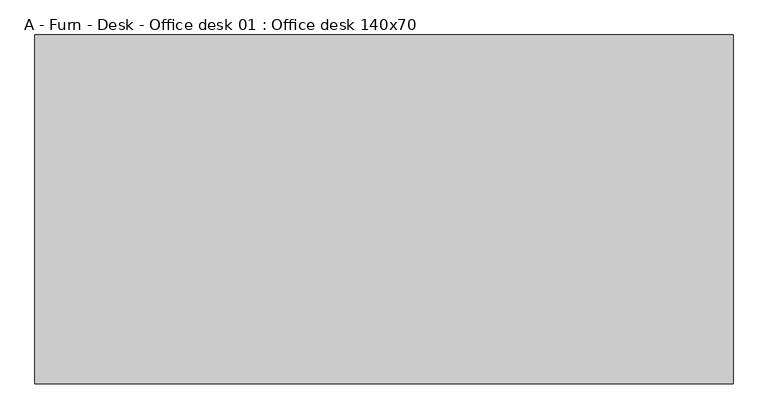
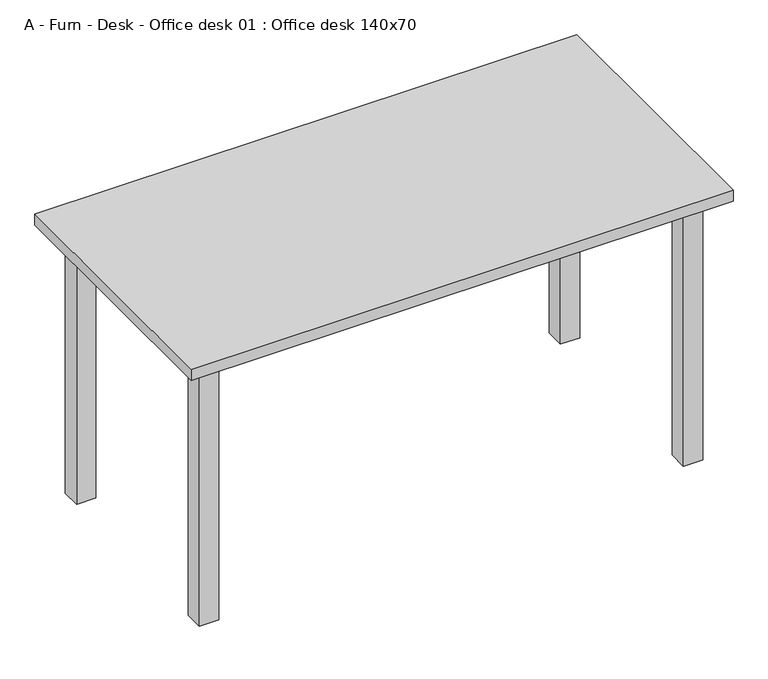
"""IFC4 building model written with IfcOpenShell, lengths in millimetres: furniture geometry, A - Furn - Desk - Office desk 01 : Office desk 140x70."""

from ifc_helpers import new_model, si_unit, frame, origin, origin_with_axes, place, context, project, spatial, polyline, outline, extrude, source, transform, mapped, element, save


def a_furn_desk_office_desk_01_office_desk_140x70_abe83e88(model_context):
    return source(origin(), model_context, "Body", "SweptSolid", [
        extrude(outline(polyline([(600.0, -300.0), (600.0, -250.0), (650.0, -250.0), (650.0, -300.0), (600.0, -300.0)])), origin_with_axes(), (0.0, 0.0, 1.0), 720.0),
        extrude(outline(polyline([(600.0, 300.0), (650.0, 300.0), (650.0, 250.0), (600.0, 250.0), (600.0, 300.0)])), origin_with_axes(), (0.0, 0.0, 1.0), 720.0),
        extrude(outline(polyline([(-600.0, -300.0), (-650.0, -300.0), (-650.0, -250.0), (-600.0, -250.0), (-600.0, -300.0)])), origin_with_axes(), (0.0, 0.0, 1.0), 720.0),
        extrude(outline(polyline([(-600.0, 300.0), (-600.0, 250.0), (-650.0, 250.0), (-650.0, 300.0), (-600.0, 300.0)])), origin_with_axes(), (0.0, 0.0, 1.0), 720.0),
        extrude(outline(polyline([(700.0, 350.0), (700.0, -350.0), (-700.0, -350.0), (-700.0, 350.0), (700.0, 350.0)])), frame((0.0, 0.0, 720.0), z_axis=(0.0, 0.0, 1.0), x_axis=(1.0, 0.0, 0.0)), (0.0, 0.0, 1.0), 30.0),
    ])


if __name__ == "__main__":
    model = new_model("IFC4")
    model_context = context("Model", 3, world=origin())
    ifc_project = project(units=[si_unit("LENGTHUNIT", "METRE", prefix="MILLI")], contexts=[model_context])
    site = spatial("IfcSite", under=ifc_project)
    building = spatial("IfcBuilding", under=site)
    placement = place(None, origin())
    a_furn_desk_office_desk_01_office_desk_140x70_shape = a_furn_desk_office_desk_01_office_desk_140x70_abe83e88(model_context)
    element("IfcFurniture", 1, ObjectType="A - Furn - Desk - Office desk 01 : Office desk 140x70", at=placement, inside=building, context=model_context, shape_type="MappedRepresentation", body=[
        mapped(a_furn_desk_office_desk_01_office_desk_140x70_shape, transform((0.0, 0.0, 0.0), x_axis=(1.0, 0.0, 0.0), y_axis=(0.0, 1.0, 0.0), z_axis=(0.0, 0.0, 1.0))),
    ])
    save(model, "model.ifc")
